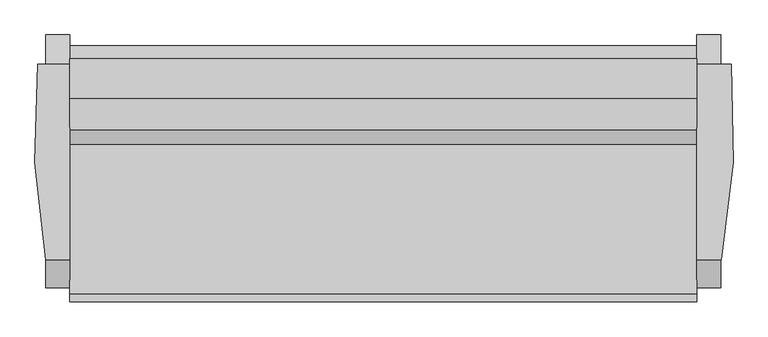
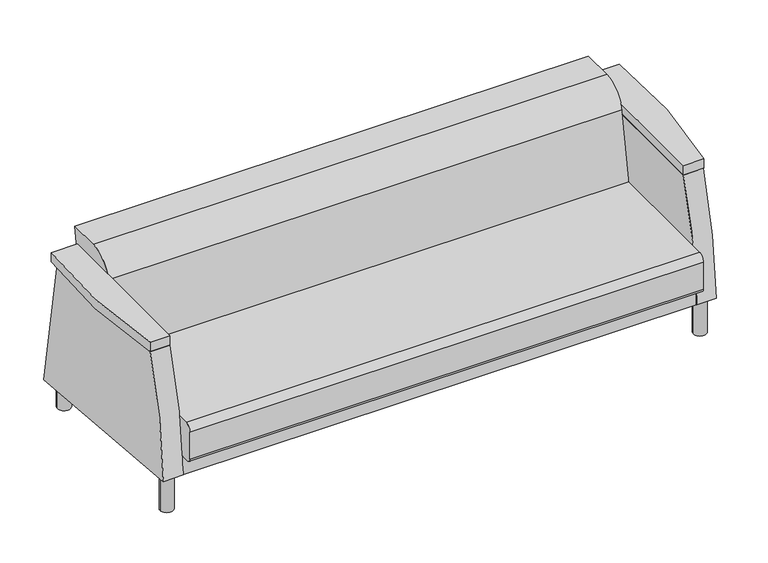
"""IFC4 building model written with IfcOpenShell, lengths in millimetres: furniture geometry."""

from ifc_helpers import new_model, si_unit, point, frame, frame_2d, origin, origin_with_axes, place, context, project, spatial, polyline, circle_curve, trimmed, segment, composite_curve, outline, extrude, source, transform, mapped, element, save
from ifc_brep_helpers import plane_surface, cylinder_surface, advanced_brep


def furniture_91f3548c(model_context):
    return source(origin(), model_context, "Body", "SolidModel", [
        advanced_brep(
        [(1345.60625, 701.7619204, 79.3588346), (1345.60625, 608.6917937, 626.0203985), (1345.60625, -9.3943348, 626.0203985), (1345.60625, -97.7900405, 149.3105671), (1269.40625, -9.3943348, 626.0203985), (1269.40625, 608.6917937, 626.0203985), (1269.40625, 701.7619204, 79.3588346), (1269.40625, -83.3930704, 148.0509954), (1269.40625, 668.3047863, 148.0509954), (1269.40625, 668.3047863, 224.2509954), (1269.40625, -93.6952137, 224.2509954), (1269.40625, -93.6952137, 148.9523161), (1269.40625, -97.7900405, 149.3105671), (1269.40625, -93.6952137, 148.0509954), (-712.19375, -83.3930704, 148.0509954), (-712.19375, -93.6952137, 148.0509954), (-712.19375, -93.6952137, 148.9523161), (-712.19375, 668.3047863, 224.2509954), (-712.19375, -93.6952137, 224.2509954), (-712.19375, 668.3047863, 148.0509954), (-712.19375, 701.7619204, 79.3588346), (-712.19375, 608.6917937, 626.0203985), (-712.19375, -9.3943348, 626.0203985), (-712.19375, -97.7900405, 149.3105671), (-788.39375, -9.3943348, 626.0203985), (-788.39375, 608.6917937, 626.0203985), (-788.39375, 701.7619204, 79.3588346), (-788.39375, -97.7900405, 149.3105671)],
        [
            (0, 1),
            (1, 2),
            (2, 3, circle_curve(frame((1345.60625, 1499.9783711, 99.5888442), z_axis=(1.0, 0.0, 0.0), x_axis=(0.0, 1.0, 0.0)), 1598.5418814)),
            (3, 0),
            (4, 5),
            (5, 6),
            (6, 7),
            (7, 8),
            (8, 9),
            (9, 10),
            (10, 4, circle_curve(frame((1269.40625, 1499.9783711, 99.5888442), z_axis=(-1.0, 0.0, 0.0), x_axis=(0.0, 1.0, 0.0)), 1598.5418814)),
            (11, 12),
            (12, 10, circle_curve(frame((1269.40625, 1499.9783711, 99.5888442), z_axis=(-1.0, 0.0, 0.0), x_axis=(0.0, 1.0, 0.0)), 1598.5418814)),
            (10, 11),
            (0, 6),
            (5, 1),
            (4, 2),
            (12, 3),
            (11, 7),
            (11, 13),
            (13, 7),
            (14, 15),
            (15, 16),
            (16, 14),
            (9, 17),
            (17, 18),
            (18, 10),
            (18, 16),
            (15, 13),
            (14, 19),
            (19, 8),
            (19, 17),
            (20, 21),
            (21, 22),
            (22, 18, circle_curve(frame((-712.19375, 1499.9783711, 99.5888442), z_axis=(1.0, 0.0, 0.0), x_axis=(0.0, 1.0, 0.0)), 1598.5418814)),
            (14, 20),
            (18, 23, circle_curve(frame((-712.19375, 1499.9783711, 99.5888442), z_axis=(1.0, 0.0, 0.0), x_axis=(0.0, 1.0, 0.0)), 1598.5418814)),
            (23, 16),
            (24, 25),
            (25, 26),
            (26, 27),
            (27, 24, circle_curve(frame((-788.39375, 1499.9783711, 99.5888442), z_axis=(-1.0, 0.0, 0.0), x_axis=(0.0, 1.0, 0.0)), 1598.5418814)),
            (27, 23),
            (22, 24),
            (26, 20),
            (25, 21),
        ],
        [
            plane_surface(frame((1345.60625, 608.6917937, 626.0203985), z_axis=(1.0000000000000002, 0.0, 0.0), x_axis=(0.0, -0.16783676484789783, 0.985814800236531))),
            plane_surface(frame((1269.40625, 608.6917937, 626.0203985), z_axis=(-1.0000000000000002, 0.0, 0.0), x_axis=(0.0, 0.16783676484789783, -0.985814800236531))),
            plane_surface(frame((1345.60625, 701.7619204, 79.3588346), z_axis=(0.0, 0.985814800236531, 0.16783676484789783), x_axis=(-1.0, 0.0, 0.0))),
            plane_surface(frame((1345.60625, 608.6917937, 626.0203985), z_axis=(0.0, 0.0, 1.0), x_axis=(-1.0, 0.0, 0.0))),
            cylinder_surface(frame((1269.40625, 1499.9783711, 99.5888442), z_axis=(1.0, 0.0, 0.0), x_axis=(0.0, 1.0, 0.0)), 1598.5418814),
            plane_surface(frame((1345.60625, -97.7900405, 149.3105671), z_axis=(0.0, -0.08715574274767213, -0.9961946980917444), x_axis=(-1.0, 0.0, 0.0))),
            plane_surface(frame((1269.40625, -93.6952137, 224.2509954), z_axis=(1.0, 0.0, 0.0), x_axis=(0.0, -1.0, 0.0))),
            plane_surface(frame((-712.19375, -93.6952137, 224.2509954), z_axis=(-1.0, 0.0, 0.0), x_axis=(0.0, 1.0, 0.0))),
            plane_surface(frame((1269.40625, 668.3047863, 224.2509954), z_axis=(0.0, 0.0, 1.0), x_axis=(-1.0, 0.0, 0.0))),
            plane_surface(frame((1269.40625, -93.6952137, 224.2509954), z_axis=(0.0, -1.0, 0.0), x_axis=(-1.0, 0.0, 0.0))),
            plane_surface(frame((1269.40625, -93.6952137, 148.0509954), z_axis=(0.0, 0.0, -1.0), x_axis=(-1.0, 0.0, 0.0))),
            plane_surface(frame((1269.40625, 668.3047863, 148.0509954), z_axis=(0.0, 1.0, 0.0), x_axis=(-1.0, 0.0, 0.0))),
            plane_surface(frame((-712.19375, 3098.5202525, 99.5888442), z_axis=(1.0, 0.0, 0.0), x_axis=(0.0, 0.0, 1.0))),
            plane_surface(frame((-788.39375, 3098.5202525, 99.5888442), z_axis=(-1.0, 0.0, 0.0), x_axis=(0.0, 0.0, -1.0))),
            cylinder_surface(frame((-788.39375, 1499.9783711, 99.5888442), z_axis=(1.0, 0.0, 0.0), x_axis=(0.0, 1.0, 0.0)), 1598.5418814),
            plane_surface(frame((-712.19375, -97.7900405, 149.3105671), z_axis=(0.0, -0.08715574274766119, -0.9961946980917453), x_axis=(-1.0, 0.0, 0.0))),
            plane_surface(frame((-712.19375, 701.7619204, 79.3588346), z_axis=(0.0, 0.9858148002365317, 0.16783676484789375), x_axis=(-1.0, 0.0, 0.0))),
            plane_surface(frame((-712.19375, 608.6917937, 626.0203985), z_axis=(0.0, 0.0, 1.0), x_axis=(-1.0, 0.0, 0.0))),
        ],
        [
            (0, [[1, 2, 3, 4]]),
            (1, [[5, 6, 7, 8, 9, 10, 11]]),
            (1, [[12, 13, 14]]),
            (2, [[-1, 15, -6, 16]]),
            (3, [[-2, -16, -5, 17]]),
            (4, [[-3, -17, -11, -13, 18]]),
            (5, [[-4, -18, -12, 19, -7, -15]]),
            (6, [[20, 21, -19]]),
            (7, [[22, 23, 24]]),
            (8, [[25, 26, 27, -10]]),
            (9, [[-27, 28, -23, 29, -20, -14]]),
            (10, [[-29, -22, 30, 31, -8, -21]]),
            (11, [[-25, -9, -31, 32]]),
            (12, [[33, 34, 35, -26, -32, -30, 36]]),
            (12, [[37, 38, -28]]),
            (13, [[39, 40, 41, 42]]),
            (14, [[-42, 43, -37, -35, 44]]),
            (15, [[-41, 45, -36, -24, -38, -43]]),
            (16, [[-33, -45, -40, 46]]),
            (17, [[-34, -46, -39, -44]]),
        ],
    ),
        extrude(outline(composite_curve([segment(trimmed(circle_curve(frame_2d((-750.29375, -53.0901639)), 25.4), [point((-775.69375, -53.0901639))], [point((-724.89375, -53.0901639))], False, "CARTESIAN"), True, "CONTINUOUS"), segment(trimmed(circle_curve(frame_2d((-750.29375, -53.0901639)), 25.4), [point((-724.89375, -53.0901639))], [point((-775.69375, -53.0901639))], False, "CARTESIAN"), True, "CONTINUOUS")], self_intersect=False)), origin_with_axes(), (0.0, 0.0, 1.0), 148.43125),
        extrude(outline(composite_curve([segment(trimmed(circle_curve(frame_2d((-750.29375, 632.7098361)), 25.4), [point((-775.69375, 632.7098361))], [point((-724.89375, 632.7098361))], False, "CARTESIAN"), True, "CONTINUOUS"), segment(trimmed(circle_curve(frame_2d((-750.29375, 632.7098361)), 25.4), [point((-724.89375, 632.7098361))], [point((-775.69375, 632.7098361))], False, "CARTESIAN"), True, "CONTINUOUS")], self_intersect=False)), origin_with_axes(), (0.0, 0.0, 1.0), 148.43125),
        extrude(outline(composite_curve([segment(trimmed(circle_curve(frame_2d((1307.50625, 632.7098361)), 25.4), [point((1282.10625, 632.7098361))], [point((1332.90625, 632.7098361))], False, "CARTESIAN"), True, "CONTINUOUS"), segment(trimmed(circle_curve(frame_2d((1307.50625, 632.7098361)), 25.4), [point((1332.90625, 632.7098361))], [point((1282.10625, 632.7098361))], False, "CARTESIAN"), True, "CONTINUOUS")], self_intersect=False)), origin_with_axes(), (0.0, 0.0, 1.0), 148.43125),
        extrude(outline(composite_curve([segment(trimmed(circle_curve(frame_2d((1307.50625, -53.0901639)), 25.4), [point((1282.10625, -53.0901639))], [point((1332.90625, -53.0901639))], False, "CARTESIAN"), True, "CONTINUOUS"), segment(trimmed(circle_curve(frame_2d((1307.50625, -53.0901639)), 25.4), [point((1332.90625, -53.0901639))], [point((1282.10625, -53.0901639))], False, "CARTESIAN"), True, "CONTINUOUS")], self_intersect=False)), origin_with_axes(), (0.0, 0.0, 1.0), 148.43125),
        extrude(outline(composite_curve([segment(trimmed(circle_curve(frame_2d((-116.5901639, 351.2509954)), 25.4), [point((-141.9901639, 351.2509954))], [point((-116.5901639, 376.6509954))], False, "CARTESIAN"), True, "CONTINUOUS"), segment(polyline([(-116.5901639, 376.6509954), (355.3895541, 376.6509954), (402.1988177, 642.1195211)]), True, "CONTINUOUS"), segment(trimmed(circle_curve(frame_2d((502.2552854, 624.4768662)), 101.6), [point((402.1988177, 642.1195211))], [point((502.2552854, 726.0768662))], False, "CARTESIAN"), True, "CONTINUOUS"), segment(polyline([(502.2552854, 726.0768662), (626.3344485, 726.0768662), (609.5377828, 620.1719187), (667.6541767, 224.2509954), (-126.1151639, 224.2509954)]), True, "CONTINUOUS"), segment(trimmed(circle_curve(frame_2d((-126.1151639, 240.1259954)), 15.875), [point((-126.1151639, 224.2509954))], [point((-141.9901639, 240.1259954))], False, "CARTESIAN"), True, "CONTINUOUS"), segment(polyline([(-141.9901639, 240.1259954), (-141.9901639, 351.2509954)]), True, "CONTINUOUS")], self_intersect=False)), frame((-712.19375, 0.0, 0.0), z_axis=(1.0, 0.0, 0.0), x_axis=(0.0, 1.0, 0.0)), (0.0, 0.0, 1.0), 1981.6),
        extrude(outline(composite_curve([segment(polyline([(-712.19375, -9.3943348), (-788.39375, -9.3943348)]), True, "CONTINUOUS"), segment(trimmed(circle_curve(frame_2d((1379.7527561, 389.2697363)), 2204.4936638), [point((-788.39375, -9.3943348))], [point((-813.79375, 608.6917935))], False, "CARTESIAN"), True, "CONTINUOUS"), segment(polyline([(-813.79375, 608.6917935), (-712.19375, 608.6917935), (-712.19375, -9.3943348)]), True, "CONTINUOUS")], self_intersect=False)), frame((0.0, 0.0, 626.0203985), z_axis=(0.0, 0.0, 1.0), x_axis=(1.0, 0.0, 0.0)), (0.0, 0.0, 1.0), 38.1),
        extrude(outline(composite_curve([segment(polyline([(1269.40625, -9.3943348), (1269.40625, 608.9395268), (1378.0864453, 608.9395268)]), True, "CONTINUOUS"), segment(trimmed(circle_curve(frame_2d((-821.5771494, 407.0270204)), 2208.9111775), [point((1378.0864453, 608.9395268))], [point((1347.7273117, -9.3943348))], False, "CARTESIAN"), True, "CONTINUOUS"), segment(polyline([(1347.7273117, -9.3943348), (1269.40625, -9.3943348)]), True, "CONTINUOUS")], self_intersect=False)), frame((0.0, 0.0, 626.0203985), z_axis=(0.0, 0.0, 1.0), x_axis=(1.0, 0.0, 0.0)), (0.0, 0.0, 1.0), 38.1),
    ])


if __name__ == "__main__":
    model = new_model("IFC4")
    model_context = context("Model", 3, world=origin())
    ifc_project = project(units=[si_unit("LENGTHUNIT", "METRE", prefix="MILLI")], contexts=[model_context])
    site = spatial("IfcSite", under=ifc_project)
    building = spatial("IfcBuilding", under=site)
    placement = place(None, origin())
    furniture_shape = furniture_91f3548c(model_context)
    element("IfcFurniture", 1, at=placement, inside=building, context=model_context, shape_type="MappedRepresentation", body=[
        mapped(furniture_shape, transform((0.0, 0.0, 0.0), x_axis=(1.0, 0.0, 0.0), y_axis=(0.0, 1.0, 0.0), z_axis=(0.0, 0.0, 1.0))),
    ])
    save(model, "model.ifc")
